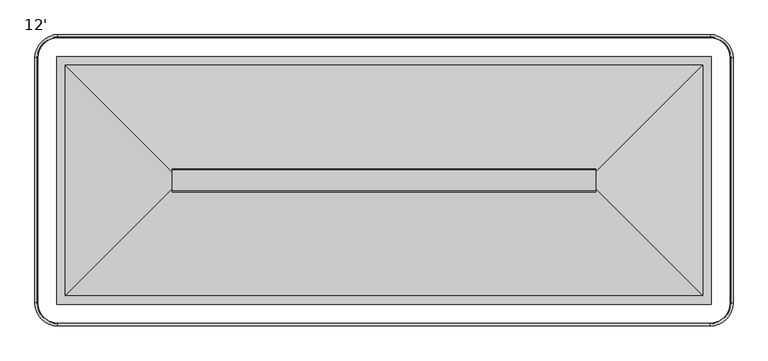
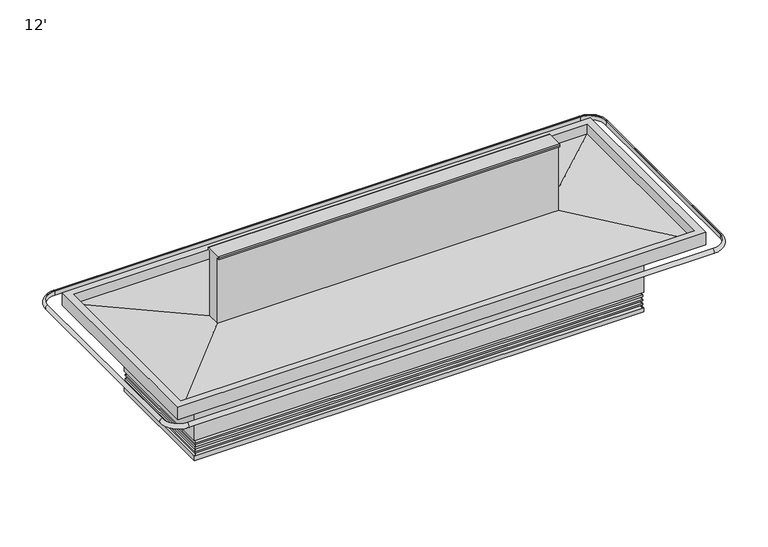
"""IFC4 building model written with IfcOpenShell, lengths in millimetres: proxy geometry, 12'."""

from ifc_helpers import new_model, si_unit, point, frame, frame_2d, origin, place, context, project, spatial, polyline, circle_curve, ellipse_curve, trimmed, segment, composite_curve, outline, extrude, faceted_brep, source, transform, mapped, element, save
from ifc_brep_helpers import plane_surface, cylinder_surface, revolved_surface, advanced_brep


def proxy_12_d2e7c2de(model_context):
    return source(origin(), model_context, "Body", "SolidModel", [
        extrude(outline(polyline([(736.6, -861.8839273), (736.6, -947.6089273), (482.6, -947.6089273), (482.6, -861.8839273), (736.6, -861.8839273)])), frame((0.0, 0.0, 47.767603), z_axis=(0.0, 0.0, 1.0), x_axis=(1.0, 0.0, 0.0)), (0.0, 0.0, 1.0), 6.35),
        extrude(outline(composite_curve([segment(trimmed(circle_curve(frame_2d((1950.9169367, -1217.4839273)), 38.1), [point((1912.8169367, -1217.4839273))], [point((1989.0169367, -1217.4839273))], False, "CARTESIAN"), True, "CONTINUOUS"), segment(trimmed(circle_curve(frame_2d((1950.9169367, -1217.4839273)), 38.1), [point((1989.0169367, -1217.4839273))], [point((1912.8169367, -1217.4839273))], False, "CARTESIAN"), True, "CONTINUOUS")], self_intersect=False)), frame((0.0, 0.0, 45.8758502), z_axis=(0.0, 0.0, 1.0), x_axis=(1.0, 0.0, 0.0)), (0.0, 0.0, 1.0), 55.7241498),
        extrude(outline(composite_curve([segment(trimmed(circle_curve(frame_2d((2813.05, -1541.3339273)), 9.525), [point((2803.525, -1541.3339273))], [point((2822.575, -1541.3339273))], False, "CARTESIAN"), True, "CONTINUOUS"), segment(trimmed(circle_curve(frame_2d((2813.05, -1541.3339273)), 9.525), [point((2822.575, -1541.3339273))], [point((2803.525, -1541.3339273))], False, "CARTESIAN"), True, "CONTINUOUS")], self_intersect=False)), frame((0.0, 0.0, 45.8758502), z_axis=(0.0, 0.0, 1.0), x_axis=(1.0, 0.0, 0.0)), (0.0, 0.0, 1.0), 55.7241498),
        extrude(outline(composite_curve([segment(trimmed(circle_curve(frame_2d((2857.5, -1541.3339273)), 12.7), [point((2844.8, -1541.3339273))], [point((2870.2, -1541.3339273))], False, "CARTESIAN"), True, "CONTINUOUS"), segment(trimmed(circle_curve(frame_2d((2857.5, -1541.3339273)), 12.7), [point((2870.2, -1541.3339273))], [point((2844.8, -1541.3339273))], False, "CARTESIAN"), True, "CONTINUOUS")], self_intersect=False)), frame((0.0, 0.0, 45.8758502), z_axis=(0.0, 0.0, 1.0), x_axis=(1.0, 0.0, 0.0)), (0.0, 0.0, 1.0), 55.7241498),
        advanced_brep(
        [(3485.9346585, -1613.7562898, 146.1174288), (3485.9346585, -817.2619729, 146.1174288), (416.1403415, -817.2619729, 146.1174288), (416.1403415, -1613.7562898, 146.1174288), (3485.9346585, -1613.7562898, 0.0), (416.1403415, -1613.7562898, 0.0), (416.1403415, -817.2619729, 0.0), (3485.9346585, -817.2619729, 0.0), (3443.0721585, -860.1244729, 0.0), (459.0028415, -860.1244729, 0.0), (459.0028415, -1570.8937898, 0.0), (2797.135904, -1570.8937898, 0.0), (2879.764096, -1570.8937898, 0.0), (3443.0721585, -1570.8937898, 0.0), (3443.0721585, -860.1244729, 54.117603), (3443.0721585, -1570.8937898, 54.117603), (2879.764096, -1570.8937898, 54.117603), (2889.25, -1541.3339273, 54.117603), (2787.65, -1541.3339273, 54.117603), (2797.135904, -1570.8937898, 54.117603), (459.0028415, -1570.8937898, 54.117603), (459.0028415, -860.1244729, 54.117603), (1900.1169367, -1217.4839273, 54.117603), (2001.7169367, -1217.4839273, 54.117603), (2787.65, -1541.3339273, 101.6), (2889.25, -1541.3339273, 101.6), (1900.1169367, -1217.4839273, 101.6), (2001.7169367, -1217.4839273, 101.6)],
        [
            (0, 1),
            (1, 2),
            (2, 3),
            (3, 0),
            (4, 5),
            (5, 6),
            (6, 7),
            (7, 4),
            (8, 9),
            (9, 10),
            (10, 11),
            (11, 12, circle_curve(frame((2838.45, -1541.3339273, 0.0), z_axis=(0.0, 0.0, 1.0), x_axis=(1.0, 0.0, 0.0)), 50.8)),
            (12, 13),
            (13, 8),
            (0, 4),
            (7, 1),
            (6, 2),
            (5, 3),
            (14, 15),
            (15, 16),
            (16, 17, circle_curve(frame((2838.45, -1541.3339273, 54.117603), z_axis=(0.0, 0.0, 1.0), x_axis=(1.0, 0.0, 0.0)), 50.8)),
            (17, 18, circle_curve(frame((2838.45, -1541.3339273, 54.117603), z_axis=(0.0, 0.0, 1.0), x_axis=(1.0, 0.0, 0.0)), 50.8)),
            (18, 19, circle_curve(frame((2838.45, -1541.3339273, 54.117603), z_axis=(0.0, 0.0, 1.0), x_axis=(1.0, 0.0, 0.0)), 50.8)),
            (19, 20),
            (20, 21),
            (21, 14),
            (22, 23, circle_curve(frame((1950.9169367, -1217.4839273, 54.117603), z_axis=(0.0, 0.0, 1.0), x_axis=(1.0, 0.0, 0.0)), 50.8)),
            (23, 22, circle_curve(frame((1950.9169367, -1217.4839273, 54.117603), z_axis=(0.0, 0.0, 1.0), x_axis=(1.0, 0.0, 0.0)), 50.8)),
            (21, 9),
            (8, 14),
            (20, 10),
            (19, 11),
            (15, 13),
            (12, 16),
            (24, 25, circle_curve(frame((2838.45, -1541.3339273, 101.6), z_axis=(0.0, 0.0, -1.0), x_axis=(1.0, 0.0, 0.0)), 50.8)),
            (25, 24, circle_curve(frame((2838.45, -1541.3339273, 101.6), z_axis=(0.0, 0.0, -1.0), x_axis=(1.0, 0.0, 0.0)), 50.8)),
            (25, 17),
            (18, 24),
            (26, 27, circle_curve(frame((1950.9169367, -1217.4839273, 101.6), z_axis=(0.0, 0.0, -1.0), x_axis=(1.0, 0.0, 0.0)), 50.8)),
            (27, 26, circle_curve(frame((1950.9169367, -1217.4839273, 101.6), z_axis=(0.0, 0.0, -1.0), x_axis=(1.0, 0.0, 0.0)), 50.8)),
            (27, 23),
            (22, 26),
        ],
        [
            plane_surface(frame((3485.9346585, -817.2619729, 146.1174288), z_axis=(0.0, 0.0, 1.0), x_axis=(0.0, 1.0, 0.0))),
            plane_surface(frame((3485.9346585, -817.2619729, 0.0), z_axis=(0.0, 0.0, -1.0), x_axis=(0.0, -1.0, 0.0))),
            plane_surface(frame((3485.9346585, -1613.7562898, 146.1174288), z_axis=(1.0, 0.0, 0.0), x_axis=(0.0, 0.0, -1.0))),
            plane_surface(frame((3485.9346585, -817.2619729, 146.1174288), z_axis=(0.0, 1.0, 0.0), x_axis=(0.0, 0.0, -1.0))),
            plane_surface(frame((416.1403415, -817.2619729, 146.1174288), z_axis=(-1.0, 0.0, 0.0), x_axis=(0.0, 0.0, -1.0))),
            plane_surface(frame((416.1403415, -1613.7562898, 146.1174288), z_axis=(0.0, -1.0, 0.0), x_axis=(0.0, 0.0, -1.0))),
            plane_surface(frame((459.0028415, -860.1244729, 54.117603), z_axis=(0.0, 0.0, -1.0), x_axis=(-1.0, 0.0, 0.0))),
            plane_surface(frame((3443.0721585, -860.1244729, 54.117603), z_axis=(0.0, -1.0, 0.0), x_axis=(0.0, 0.0, -1.0))),
            plane_surface(frame((459.0028415, -860.1244729, 54.117603), z_axis=(1.0, 0.0, 0.0), x_axis=(0.0, 0.0, -1.0))),
            plane_surface(frame((459.0028415, -1570.8937898, 54.117603), z_axis=(0.0, 1.0, 0.0), x_axis=(0.0, 0.0, -1.0))),
            plane_surface(frame((3443.0721585, -1570.8937898, 54.117603), z_axis=(-1.0, 0.0, 0.0), x_axis=(0.0, 0.0, -1.0))),
            plane_surface(frame((2889.25, -1541.3339273, 101.6), z_axis=(0.0, 0.0, -1.0), x_axis=(0.0, 1.0, 0.0))),
            revolved_surface(polyline([(2889.25, -1541.3339273, 101.6), (2889.25, -1541.3339273, 0.0)]), (2838.45, -1541.3339273, 0.0), (0.0, 0.0, 1.0)),
            revolved_surface(polyline([(2889.25, -1541.3339273, 101.6), (2889.25, -1541.3339273, 54.117603)]), (2838.45, -1541.3339273, 0.0), (0.0, 0.0, 1.0)),
            plane_surface(frame((2001.7169367, -1217.4839273, 101.6), z_axis=(0.0, 0.0, -1.0), x_axis=(0.0, 1.0, 0.0))),
            revolved_surface(polyline([(2001.7169367, -1217.4839273, 101.6), (2001.7169367, -1217.4839273, 54.117603)]), (1950.9169367, -1217.4839273, 0.0), (0.0, 0.0, 1.0)),
        ],
        [
            (0, [[1, 2, 3, 4]]),
            (1, [[5, 6, 7, 8], [9, 10, 11, 12, 13, 14]]),
            (2, [[-1, 15, -8, 16]]),
            (3, [[-2, -16, -7, 17]]),
            (4, [[-3, -17, -6, 18]]),
            (5, [[-4, -18, -5, -15]]),
            (6, [[19, 20, 21, 22, 23, 24, 25, 26], [27, 28]]),
            (7, [[-26, 29, -9, 30]]),
            (8, [[-25, 31, -10, -29]]),
            (9, [[-31, -24, 32, -11]]),
            (9, [[33, -13, 34, -20]]),
            (10, [[-19, -30, -14, -33]]),
            (11, [[35, 36]]),
            (12, [[-36, 37, -21, -34, -12, -32, -23, 38]]),
            (13, [[-35, -38, -22, -37]]),
            (14, [[39, 40]]),
            (15, [[-40, 41, -27, 42]]),
            (15, [[-39, -42, -28, -41]]),
        ],
    ),
        advanced_brep(
        [(3509.2141466, -1637.0357779, 31.5422302), (3509.2141466, -1637.0357779, 0.0), (3509.2141466, -793.9824848, 0.0), (3509.2141466, -793.9824848, 31.5422302), (3495.5963436, -807.6002877, 41.1495431), (3495.5963436, -1623.417975, 41.1495431), (3492.1072466, -811.0893848, 52.3148032), (3492.1072466, -1619.9288779, 52.3148032), (3502.7444418, -800.4521895, 50.1569804), (3502.7444418, -1630.5660732, 50.1569804), (3504.7383418, -1632.5599732, 62.8569804), (3504.7383418, -1632.5599732, 50.1569804), (3504.7383418, -798.4582895, 50.1569804), (3504.7383418, -798.4582895, 62.8569804), (3495.5963436, -807.6002877, 72.1217262), (3495.5963436, -1623.417975, 72.1217262), (3492.1072466, -811.0893848, 83.2869863), (3492.1072466, -1619.9288779, 83.2869863), (3502.7444418, -800.4521895, 81.1291635), (3502.7444418, -1630.5660732, 81.1291635), (3504.7383418, -1632.5599732, 93.8291635), (3504.7383418, -1632.5599732, 81.1291635), (3504.7383418, -798.4582895, 81.1291635), (3504.7383418, -798.4582895, 93.8291635), (3495.5963436, -807.6002877, 103.0939093), (3495.5963436, -1623.417975, 103.0939093), (3492.1072466, -811.0893848, 114.1327174), (3492.1072466, -1619.9288779, 114.1327174), (3502.7444418, -800.4521895, 112.1015335), (3502.7444418, -1630.5660732, 112.1015335), (3504.7383418, -1632.5599732, 124.8015335), (3504.7383418, -1632.5599732, 112.1015335), (3504.7383418, -798.4582895, 112.1015335), (3504.7383418, -798.4582895, 124.8015335), (3492.1072466, -811.0893848, 137.5013466), (3492.1072466, -1619.9288779, 137.5013466), (3492.1072466, -811.0893848, 146.1174288), (3492.1072466, -1619.9288779, 146.1174288), (3485.9346585, -1613.7562898, 0.0), (3485.9346585, -1613.7562898, 146.1174288), (3485.9346585, -817.2619729, 146.1174288), (3485.9346585, -817.2619729, 0.0), (392.8608534, -793.9824848, 0.0), (392.8608534, -793.9824848, 31.5422302), (406.4786564, -807.6002877, 41.1495431), (409.9677534, -811.0893848, 52.3148032), (399.3305582, -800.4521895, 50.1569804), (397.3366582, -798.4582895, 50.1569804), (397.3366582, -798.4582895, 62.8569804), (406.4786564, -807.6002877, 72.1217262), (409.9677534, -811.0893848, 83.2869863), (399.3305582, -800.4521895, 81.1291635), (397.3366582, -798.4582895, 81.1291635), (397.3366582, -798.4582895, 93.8291635), (406.4786564, -807.6002877, 103.0939093), (409.9677534, -811.0893848, 114.1327174), (399.3305582, -800.4521895, 112.1015335), (397.3366582, -798.4582895, 112.1015335), (397.3366582, -798.4582895, 124.8015335), (409.9677534, -811.0893848, 137.5013466), (409.9677534, -811.0893848, 146.1174288), (416.1403415, -817.2619729, 146.1174288), (416.1403415, -817.2619729, 0.0), (392.8608534, -1637.0357779, 0.0), (392.8608534, -1637.0357779, 31.5422302), (406.4786564, -1623.417975, 41.1495431), (409.9677534, -1619.9288779, 52.3148032), (399.3305582, -1630.5660732, 50.1569804), (397.3366582, -1632.5599732, 50.1569804), (397.3366582, -1632.5599732, 62.8569804), (406.4786564, -1623.417975, 72.1217262), (409.9677534, -1619.9288779, 83.2869863), (399.3305582, -1630.5660732, 81.1291635), (397.3366582, -1632.5599732, 81.1291635), (397.3366582, -1632.5599732, 93.8291635), (406.4786564, -1623.417975, 103.0939093), (409.9677534, -1619.9288779, 114.1327174), (399.3305582, -1630.5660732, 112.1015335), (397.3366582, -1632.5599732, 112.1015335), (397.3366582, -1632.5599732, 124.8015335), (409.9677534, -1619.9288779, 137.5013466), (409.9677534, -1619.9288779, 146.1174288), (416.1403415, -1613.7562898, 146.1174288), (416.1403415, -1613.7562898, 0.0)],
        [
            (0, 1),
            (1, 2),
            (2, 3),
            (3, 0),
            (3, 4, ellipse_curve(frame((3507.9301808, -795.2664505, 44.1771593), z_axis=(-0.7071067811865475, 0.7071067811865475, 0.0), x_axis=(0.7071067811865474, 0.7071067811865476, 0.0)), 17.9605122, 12.7)),
            (4, 5),
            (5, 0, ellipse_curve(frame((3507.9301808, -1635.7518122, 44.1771593), z_axis=(-0.7071067811865475, -0.7071067811865475, 0.0), x_axis=(-0.7071067811865474, 0.7071067811865476, 0.0)), 17.9605122, 12.7)),
            (4, 6),
            (6, 7),
            (7, 5),
            (6, 8),
            (8, 9),
            (9, 7),
            (10, 11),
            (11, 12),
            (12, 13),
            (13, 10),
            (13, 14, ellipse_curve(frame((3507.9301808, -795.2664505, 75.1493424), z_axis=(-0.7071067811865475, 0.7071067811865475, 0.0), x_axis=(0.7071067811865474, 0.7071067811865476, 0.0)), 17.9605122, 12.7)),
            (14, 15),
            (15, 10, ellipse_curve(frame((3507.9301808, -1635.7518122, 75.1493424), z_axis=(-0.7071067811865475, -0.7071067811865475, 0.0), x_axis=(-0.7071067811865474, 0.7071067811865476, 0.0)), 17.9605122, 12.7)),
            (14, 16),
            (16, 17),
            (17, 15),
            (16, 18),
            (18, 19),
            (19, 17),
            (20, 21),
            (21, 22),
            (22, 23),
            (23, 20),
            (23, 24, ellipse_curve(frame((3507.9301808, -795.2664505, 106.1215255), z_axis=(-0.7071067811865475, 0.7071067811865475, 0.0), x_axis=(0.7071067811865474, 0.7071067811865476, 0.0)), 17.9605122, 12.7)),
            (24, 25),
            (25, 20, ellipse_curve(frame((3507.9301808, -1635.7518122, 106.1215255), z_axis=(-0.7071067811865475, -0.7071067811865475, 0.0), x_axis=(-0.7071067811865474, 0.7071067811865476, 0.0)), 17.9605122, 12.7)),
            (24, 26),
            (26, 27),
            (27, 25),
            (26, 28),
            (28, 29),
            (29, 27),
            (30, 31),
            (31, 32),
            (32, 33),
            (33, 30),
            (33, 34, ellipse_curve(frame((3504.8072466, -798.3893848, 137.5013466), z_axis=(-0.7071067811865475, 0.7071067811865475, 0.0), x_axis=(0.7071067811865474, 0.7071067811865476, 0.0)), 17.9605122, 12.7)),
            (34, 35),
            (35, 30, ellipse_curve(frame((3504.8072466, -1632.6288779, 137.5013466), z_axis=(-0.7071067811865475, -0.7071067811865475, 0.0), x_axis=(-0.7071067811865474, 0.7071067811865476, 0.0)), 17.9605122, 12.7)),
            (34, 36),
            (36, 37),
            (37, 35),
            (38, 39),
            (39, 40),
            (40, 41),
            (41, 38),
            (2, 42),
            (42, 43),
            (43, 3),
            (43, 44, ellipse_curve(frame((394.1448192, -795.2664505, 44.1771593), z_axis=(-0.7071067811865475, -0.7071067811865475, 0.0), x_axis=(-0.7071067811865476, 0.7071067811865474, 0.0)), 17.9605122, 12.7)),
            (44, 4),
            (44, 45),
            (45, 6),
            (45, 46),
            (46, 8),
            (12, 47),
            (47, 48),
            (48, 13),
            (48, 49, ellipse_curve(frame((394.1448192, -795.2664505, 75.1493424), z_axis=(-0.7071067811865475, -0.7071067811865475, 0.0), x_axis=(-0.7071067811865476, 0.7071067811865474, 0.0)), 17.9605122, 12.7)),
            (49, 14),
            (49, 50),
            (50, 16),
            (50, 51),
            (51, 18),
            (22, 52),
            (52, 53),
            (53, 23),
            (53, 54, ellipse_curve(frame((394.1448192, -795.2664505, 106.1215255), z_axis=(-0.7071067811865475, -0.7071067811865475, 0.0), x_axis=(-0.7071067811865476, 0.7071067811865474, 0.0)), 17.9605122, 12.7)),
            (54, 24),
            (54, 55),
            (55, 26),
            (55, 56),
            (56, 28),
            (32, 57),
            (57, 58),
            (58, 33),
            (58, 59, ellipse_curve(frame((397.2677534, -798.3893848, 137.5013466), z_axis=(-0.7071067811865475, -0.7071067811865475, 0.0), x_axis=(-0.7071067811865476, 0.7071067811865474, 0.0)), 17.9605122, 12.7)),
            (59, 34),
            (59, 60),
            (60, 36),
            (40, 61),
            (61, 62),
            (62, 41),
            (42, 63),
            (63, 64),
            (64, 43),
            (64, 65, ellipse_curve(frame((394.1448192, -1635.7518122, 44.1771593), z_axis=(0.7071067811865475, -0.7071067811865475, 0.0), x_axis=(-0.7071067811865474, -0.7071067811865476, 0.0)), 17.9605122, 12.7)),
            (65, 44),
            (65, 66),
            (66, 45),
            (66, 67),
            (67, 46),
            (47, 68),
            (68, 69),
            (69, 48),
            (69, 70, ellipse_curve(frame((394.1448192, -1635.7518122, 75.1493424), z_axis=(0.7071067811865475, -0.7071067811865475, 0.0), x_axis=(-0.7071067811865474, -0.7071067811865476, 0.0)), 17.9605122, 12.7)),
            (70, 49),
            (70, 71),
            (71, 50),
            (71, 72),
            (72, 51),
            (52, 73),
            (73, 74),
            (74, 53),
            (74, 75, ellipse_curve(frame((394.1448192, -1635.7518122, 106.1215255), z_axis=(0.7071067811865475, -0.7071067811865475, 0.0), x_axis=(-0.7071067811865474, -0.7071067811865476, 0.0)), 17.9605122, 12.7)),
            (75, 54),
            (75, 76),
            (76, 55),
            (76, 77),
            (77, 56),
            (57, 78),
            (78, 79),
            (79, 58),
            (79, 80, ellipse_curve(frame((397.2677534, -1632.6288779, 137.5013466), z_axis=(0.7071067811865475, -0.7071067811865475, 0.0), x_axis=(-0.7071067811865474, -0.7071067811865476, 0.0)), 17.9605122, 12.7)),
            (80, 59),
            (80, 81),
            (81, 60),
            (61, 82),
            (82, 83),
            (83, 62),
            (0, 64),
            (63, 1),
            (5, 65),
            (7, 66),
            (9, 67),
            (11, 68),
            (10, 69),
            (15, 70),
            (17, 71),
            (19, 72),
            (21, 73),
            (20, 74),
            (25, 75),
            (27, 76),
            (29, 77),
            (31, 78),
            (30, 79),
            (35, 80),
            (37, 81),
            (39, 82),
            (38, 83),
        ],
        [
            plane_surface(frame((3509.2141466, -1637.0357779, 0.0), z_axis=(1.0, 0.0, 0.0), x_axis=(0.0, 1.0, 0.0))),
            revolved_surface(polyline([(3495.2301808, -782.5664505297964, 44.1771593), (3495.2301808, -1648.4518121702035, 44.1771593)]), (3507.9301808, -2029.8966313, 44.1771593), (0.0, 1.0, 0.0)),
            plane_surface(frame((3495.5963436, -1623.417975, 41.1495431), z_axis=(0.9544811145040246, 0.0, 0.298271356410828), x_axis=(0.0, 1.0, 0.0))),
            plane_surface(frame((3492.1072466, -1619.9288779, 52.3148032), z_axis=(-0.19880707887706084, 0.0, -0.9800386448443603), x_axis=(0.0, 1.0, 0.0))),
            plane_surface(frame((3504.7383418, -1632.5599732, 50.1569804), z_axis=(1.0, 0.0, 0.0), x_axis=(0.0, 1.0, 0.0))),
            revolved_surface(polyline([(3495.2301808, -782.5664505297964, 75.1493424), (3495.2301808, -1648.4518121702035, 75.1493424)]), (3507.9301808, -2029.8966313, 75.1493424), (0.0, 1.0, 0.0)),
            plane_surface(frame((3495.5963436, -1623.417975, 72.1217262), z_axis=(0.9544811145040845, 0.0, 0.29827135641063635), x_axis=(0.0, 1.0, 0.0))),
            plane_surface(frame((3492.1072466, -1619.9288779, 83.2869863), z_axis=(-0.198807078877056, 0.0, -0.9800386448443613), x_axis=(0.0, 1.0, 0.0))),
            plane_surface(frame((3504.7383418, -1632.5599732, 81.1291635), z_axis=(1.0, 0.0, 0.0), x_axis=(0.0, 1.0, 0.0))),
            revolved_surface(polyline([(3495.2301808, -782.5664505297964, 106.1215255), (3495.2301808, -1648.4518121702035, 106.1215255)]), (3507.9301808, -2029.8966313, 106.1215255), (0.0, 1.0, 0.0)),
            plane_surface(frame((3495.5963436, -1623.417975, 103.0939093), z_axis=(0.9535043111325446, 0.0, 0.3013793766196547), x_axis=(0.0, 1.0, 0.0))),
            plane_surface(frame((3492.1072466, -1619.9288779, 114.1327174), z_axis=(-0.18756221551811014, 0.0, -0.9822527247658507), x_axis=(0.0, 1.0, 0.0))),
            plane_surface(frame((3504.7383418, -1632.5599732, 112.1015335), z_axis=(1.0, 0.0, 0.0), x_axis=(0.0, 1.0, 0.0))),
            revolved_surface(polyline([(3492.1072466, -785.6893848297964, 137.5013466), (3492.1072466, -1645.3288778702035, 137.5013466)]), (3504.8072466, -2029.8966313, 137.5013466), (0.0, 1.0, 0.0)),
            plane_surface(frame((3492.1072466, -1619.9288779, 137.5013466), z_axis=(1.0, 0.0, 0.0), x_axis=(0.0, 1.0, 0.0))),
            plane_surface(frame((3485.9346585, -1613.7562898, 146.1174288), z_axis=(-1.0, 0.0, 0.0), x_axis=(0.0, 1.0, 0.0))),
            plane_surface(frame((3509.2141466, -793.9824848, 0.0), z_axis=(0.0, 1.0, 0.0), x_axis=(-1.0, 0.0, 0.0))),
            revolved_surface(polyline([(381.44481922979594, -807.9664505000001, 44.1771593), (3520.630180770204, -807.9664505000001, 44.1771593)]), (3902.075, -795.2664505, 44.1771593), (-1.0, 0.0, 0.0)),
            plane_surface(frame((3495.5963436, -807.6002877, 41.1495431), z_axis=(0.0, 0.9544811145040246, 0.298271356410828), x_axis=(-1.0, 0.0, 0.0))),
            plane_surface(frame((3492.1072466, -811.0893848, 52.3148032), z_axis=(0.0, -0.19880707887706084, -0.9800386448443603), x_axis=(-1.0, 0.0, 0.0))),
            plane_surface(frame((3504.7383418, -798.4582895, 50.1569804), z_axis=(0.0, 1.0, 0.0), x_axis=(-1.0, 0.0, 0.0))),
            revolved_surface(polyline([(381.44481922979594, -807.9664505000001, 75.1493424), (3520.630180770204, -807.9664505000001, 75.1493424)]), (3902.075, -795.2664505, 75.1493424), (-1.0, 0.0, 0.0)),
            plane_surface(frame((3495.5963436, -807.6002877, 72.1217262), z_axis=(0.0, 0.9544811145040845, 0.29827135641063635), x_axis=(-1.0, 0.0, 0.0))),
            plane_surface(frame((3492.1072466, -811.0893848, 83.2869863), z_axis=(0.0, -0.198807078877056, -0.9800386448443613), x_axis=(-1.0, 0.0, 0.0))),
            plane_surface(frame((3504.7383418, -798.4582895, 81.1291635), z_axis=(0.0, 1.0, 0.0), x_axis=(-1.0, 0.0, 0.0))),
            revolved_surface(polyline([(381.44481922979594, -807.9664505000001, 106.1215255), (3520.630180770204, -807.9664505000001, 106.1215255)]), (3902.075, -795.2664505, 106.1215255), (-1.0, 0.0, 0.0)),
            plane_surface(frame((3495.5963436, -807.6002877, 103.0939093), z_axis=(0.0, 0.9535043111325446, 0.3013793766196547), x_axis=(-1.0, 0.0, 0.0))),
            plane_surface(frame((3492.1072466, -811.0893848, 114.1327174), z_axis=(0.0, -0.18756221551811014, -0.9822527247658507), x_axis=(-1.0, 0.0, 0.0))),
            plane_surface(frame((3504.7383418, -798.4582895, 112.1015335), z_axis=(0.0, 1.0, 0.0), x_axis=(-1.0, 0.0, 0.0))),
            revolved_surface(polyline([(384.5677534297961, -811.0893848000001, 137.5013466), (3517.5072465702037, -811.0893848000001, 137.5013466)]), (3902.075, -798.3893848, 137.5013466), (-1.0, 0.0, 0.0)),
            plane_surface(frame((3492.1072466, -811.0893848, 137.5013466), z_axis=(0.0, 1.0, 0.0), x_axis=(-1.0, 0.0, 0.0))),
            plane_surface(frame((3485.9346585, -817.2619729, 146.1174288), z_axis=(0.0, -1.0, 0.0), x_axis=(-1.0, 0.0, 0.0))),
            plane_surface(frame((392.8608534, -793.9824848, 0.0), z_axis=(-1.0, 0.0, 0.0), x_axis=(0.0, -1.0, 0.0))),
            revolved_surface(polyline([(406.84481919999996, -1648.4518121702035, 44.1771593), (406.84481919999996, -782.5664505297964, 44.1771593)]), (394.1448192, -401.1216313, 44.1771593), (0.0, -1.0, 0.0)),
            plane_surface(frame((406.4786564, -807.6002877, 41.1495431), z_axis=(-0.9544811145040246, 0.0, 0.298271356410828), x_axis=(0.0, -1.0, 0.0))),
            plane_surface(frame((409.9677534, -811.0893848, 52.3148032), z_axis=(0.19880707887706084, 0.0, -0.9800386448443603), x_axis=(0.0, -1.0, 0.0))),
            plane_surface(frame((397.3366582, -798.4582895, 50.1569804), z_axis=(-1.0, 0.0, 0.0), x_axis=(0.0, -1.0, 0.0))),
            revolved_surface(polyline([(406.84481919999996, -1648.4518121702035, 75.1493424), (406.84481919999996, -782.5664505297964, 75.1493424)]), (394.1448192, -401.1216313, 75.1493424), (0.0, -1.0, 0.0)),
            plane_surface(frame((406.4786564, -807.6002877, 72.1217262), z_axis=(-0.9544811145040845, 0.0, 0.29827135641063635), x_axis=(0.0, -1.0, 0.0))),
            plane_surface(frame((409.9677534, -811.0893848, 83.2869863), z_axis=(0.198807078877056, 0.0, -0.9800386448443613), x_axis=(0.0, -1.0, 0.0))),
            plane_surface(frame((397.3366582, -798.4582895, 81.1291635), z_axis=(-1.0, 0.0, 0.0), x_axis=(0.0, -1.0, 0.0))),
            revolved_surface(polyline([(406.84481919999996, -1648.4518121702035, 106.1215255), (406.84481919999996, -782.5664505297964, 106.1215255)]), (394.1448192, -401.1216313, 106.1215255), (0.0, -1.0, 0.0)),
            plane_surface(frame((406.4786564, -807.6002877, 103.0939093), z_axis=(-0.9535043111325446, 0.0, 0.3013793766196547), x_axis=(0.0, -1.0, 0.0))),
            plane_surface(frame((409.9677534, -811.0893848, 114.1327174), z_axis=(0.18756221551811014, 0.0, -0.9822527247658507), x_axis=(0.0, -1.0, 0.0))),
            plane_surface(frame((397.3366582, -798.4582895, 112.1015335), z_axis=(-1.0, 0.0, 0.0), x_axis=(0.0, -1.0, 0.0))),
            revolved_surface(polyline([(409.9677534, -1645.3288778702035, 137.5013466), (409.9677534, -785.6893848297964, 137.5013466)]), (397.2677534, -401.1216313, 137.5013466), (0.0, -1.0, 0.0)),
            plane_surface(frame((409.9677534, -811.0893848, 137.5013466), z_axis=(-1.0, 0.0, 0.0), x_axis=(0.0, -1.0, 0.0))),
            plane_surface(frame((416.1403415, -817.2619729, 146.1174288), z_axis=(1.0, 0.0, 0.0), x_axis=(0.0, -1.0, 0.0))),
            plane_surface(frame((392.8608534, -1637.0357779, 0.0), z_axis=(0.0, -1.0, 0.0), x_axis=(1.0, 0.0, 0.0))),
            revolved_surface(polyline([(3520.630180770204, -1623.0518121999999, 44.1771593), (381.4448192297963, -1623.0518121999999, 44.1771593)]), (0.0, -1635.7518122, 44.1771593), (1.0, 0.0, 0.0)),
            plane_surface(frame((406.4786564, -1623.417975, 41.1495431), z_axis=(0.0, -0.9544811145040246, 0.298271356410828), x_axis=(1.0, 0.0, 0.0))),
            plane_surface(frame((409.9677534, -1619.9288779, 52.3148032), z_axis=(0.0, 0.19880707887706084, -0.9800386448443603), x_axis=(1.0, 0.0, 0.0))),
            plane_surface(frame((399.3305582, -1630.5660732, 50.1569804), z_axis=(0.0, 0.0, -1.0), x_axis=(1.0, 0.0, 0.0))),
            plane_surface(frame((397.3366582, -1632.5599732, 50.1569804), z_axis=(0.0, -1.0, 0.0), x_axis=(1.0, 0.0, 0.0))),
            revolved_surface(polyline([(3520.630180770204, -1623.0518121999999, 75.1493424), (381.4448192297963, -1623.0518121999999, 75.1493424)]), (0.0, -1635.7518122, 75.1493424), (1.0, 0.0, 0.0)),
            plane_surface(frame((406.4786564, -1623.417975, 72.1217262), z_axis=(0.0, -0.9544811145040845, 0.29827135641063635), x_axis=(1.0, 0.0, 0.0))),
            plane_surface(frame((409.9677534, -1619.9288779, 83.2869863), z_axis=(0.0, 0.198807078877056, -0.9800386448443613), x_axis=(1.0, 0.0, 0.0))),
            plane_surface(frame((399.3305582, -1630.5660732, 81.1291635), z_axis=(0.0, 0.0, -1.0), x_axis=(1.0, 0.0, 0.0))),
            plane_surface(frame((397.3366582, -1632.5599732, 81.1291635), z_axis=(0.0, -1.0, 0.0), x_axis=(1.0, 0.0, 0.0))),
            revolved_surface(polyline([(3520.630180770204, -1623.0518121999999, 106.1215255), (381.4448192297963, -1623.0518121999999, 106.1215255)]), (0.0, -1635.7518122, 106.1215255), (1.0, 0.0, 0.0)),
            plane_surface(frame((406.4786564, -1623.417975, 103.0939093), z_axis=(0.0, -0.9535043111325446, 0.3013793766196547), x_axis=(1.0, 0.0, 0.0))),
            plane_surface(frame((409.9677534, -1619.9288779, 114.1327174), z_axis=(0.0, 0.18756221551811014, -0.9822527247658507), x_axis=(1.0, 0.0, 0.0))),
            plane_surface(frame((399.3305582, -1630.5660732, 112.1015335), z_axis=(0.0, 0.0, -1.0), x_axis=(1.0, 0.0, 0.0))),
            plane_surface(frame((397.3366582, -1632.5599732, 112.1015335), z_axis=(0.0, -1.0, 0.0), x_axis=(1.0, 0.0, 0.0))),
            revolved_surface(polyline([(3517.5072465702037, -1619.9288778999999, 137.5013466), (384.5677534297963, -1619.9288778999999, 137.5013466)]), (0.0, -1632.6288779, 137.5013466), (1.0, 0.0, 0.0)),
            plane_surface(frame((409.9677534, -1619.9288779, 137.5013466), z_axis=(0.0, -1.0, 0.0), x_axis=(1.0, 0.0, 0.0))),
            plane_surface(frame((409.9677534, -1619.9288779, 146.1174288), z_axis=(0.0, 0.0, 1.0), x_axis=(1.0, 0.0, 0.0))),
            plane_surface(frame((416.1403415, -1613.7562898, 146.1174288), z_axis=(0.0, 1.0, 0.0), x_axis=(1.0, 0.0, 0.0))),
            plane_surface(frame((416.1403415, -1613.7562898, 0.0), z_axis=(0.0, 0.0, -1.0), x_axis=(1.0, 0.0, 0.0))),
        ],
        [
            (0, [[1, 2, 3, 4]]),
            (1, [[-4, 5, 6, 7]]),
            (2, [[-6, 8, 9, 10]]),
            (3, [[-9, 11, 12, 13]]),
            (4, [[14, 15, 16, 17]]),
            (5, [[-17, 18, 19, 20]]),
            (6, [[-19, 21, 22, 23]]),
            (7, [[-22, 24, 25, 26]]),
            (8, [[27, 28, 29, 30]]),
            (9, [[-30, 31, 32, 33]]),
            (10, [[-32, 34, 35, 36]]),
            (11, [[-35, 37, 38, 39]]),
            (12, [[40, 41, 42, 43]]),
            (13, [[-43, 44, 45, 46]]),
            (14, [[-45, 47, 48, 49]]),
            (15, [[50, 51, 52, 53]]),
            (16, [[-3, 54, 55, 56]]),
            (17, [[-5, -56, 57, 58]]),
            (18, [[-8, -58, 59, 60]]),
            (19, [[-11, -60, 61, 62]]),
            (20, [[-16, 63, 64, 65]]),
            (21, [[-18, -65, 66, 67]]),
            (22, [[-21, -67, 68, 69]]),
            (23, [[-24, -69, 70, 71]]),
            (24, [[-29, 72, 73, 74]]),
            (25, [[-31, -74, 75, 76]]),
            (26, [[-34, -76, 77, 78]]),
            (27, [[-37, -78, 79, 80]]),
            (28, [[-42, 81, 82, 83]]),
            (29, [[-44, -83, 84, 85]]),
            (30, [[-47, -85, 86, 87]]),
            (31, [[-52, 88, 89, 90]]),
            (32, [[-55, 91, 92, 93]]),
            (33, [[-57, -93, 94, 95]]),
            (34, [[-59, -95, 96, 97]]),
            (35, [[-61, -97, 98, 99]]),
            (36, [[-64, 100, 101, 102]]),
            (37, [[-66, -102, 103, 104]]),
            (38, [[-68, -104, 105, 106]]),
            (39, [[-70, -106, 107, 108]]),
            (40, [[-73, 109, 110, 111]]),
            (41, [[-75, -111, 112, 113]]),
            (42, [[-77, -113, 114, 115]]),
            (43, [[-79, -115, 116, 117]]),
            (44, [[-82, 118, 119, 120]]),
            (45, [[-84, -120, 121, 122]]),
            (46, [[-86, -122, 123, 124]]),
            (47, [[-89, 125, 126, 127]]),
            (48, [[-1, 128, -92, 129]]),
            (49, [[-7, 130, -94, -128]]),
            (50, [[-10, 131, -96, -130]]),
            (51, [[-13, 132, -98, -131]]),
            (52, [[-15, 133, -100, -63], [-12, -62, -99, -132]]),
            (53, [[-14, 134, -101, -133]]),
            (54, [[-20, 135, -103, -134]]),
            (55, [[-23, 136, -105, -135]]),
            (56, [[-26, 137, -107, -136]]),
            (57, [[-28, 138, -109, -72], [-25, -71, -108, -137]]),
            (58, [[-27, 139, -110, -138]]),
            (59, [[-33, 140, -112, -139]]),
            (60, [[-36, 141, -114, -140]]),
            (61, [[-39, 142, -116, -141]]),
            (62, [[-41, 143, -118, -81], [-38, -80, -117, -142]]),
            (63, [[-40, 144, -119, -143]]),
            (64, [[-46, 145, -121, -144]]),
            (65, [[-49, 146, -123, -145]]),
            (66, [[-48, -87, -124, -146], [-51, 147, -125, -88]]),
            (67, [[-50, 148, -126, -147]]),
            (68, [[-2, -129, -91, -54], [-53, -90, -127, -148]]),
        ],
    ),
        faceted_brep([(393.096833, -1636.7997983, 354.4616084), (393.096833, -1636.7997983, 146.1174288), (3508.978167, -1636.7997983, 146.1174288), (3508.978167, -1636.7997983, 354.4616084), (412.591333, -1617.3052983, 374.65), (412.591333, -1617.3052983, 354.4616084), (3489.483667, -1617.3052983, 354.4616084), (3489.483667, -1617.3052983, 374.65), (512.4264211, -1517.4702102, 146.1174288), (512.4264211, -1517.4702102, 374.65), (3389.6485789, -1517.4702102, 374.65), (3389.6485789, -1517.4702102, 146.1174288), (3508.978167, -794.2184644, 146.1174288), (3508.978167, -794.2184644, 354.4616084), (3489.483667, -813.7129644, 354.4616084), (3489.483667, -813.7129644, 374.65), (3389.6485789, -913.5480525, 374.65), (3389.6485789, -913.5480525, 146.1174288), (393.096833, -794.2184644, 146.1174288), (393.096833, -794.2184644, 354.4616084), (412.591333, -813.7129644, 354.4616084), (412.591333, -813.7129644, 374.65), (512.4264211, -913.5480525, 374.65), (512.4264211, -913.5480525, 146.1174288)], [[[0, 1, 2, 3]], [[4, 5, 6, 7]], [[8, 9, 10, 11]], [[3, 2, 12, 13]], [[7, 6, 14, 15]], [[11, 10, 16, 17]], [[13, 12, 18, 19]], [[15, 14, 20, 21]], [[17, 16, 22, 23]], [[19, 18, 1, 0]], [[3, 13, 19, 0], [5, 20, 14, 6]], [[21, 20, 5, 4]], [[7, 15, 21, 4], [9, 22, 16, 10]], [[23, 22, 9, 8]], [[1, 18, 12, 2], [11, 17, 23, 8]]]),
        extrude(outline(polyline([(-913.5480525, 374.65), (-913.5480525, 146.1174288), (-1517.4702102, 146.1174288), (-1517.4702102, 374.65), (-1553.9615199, 374.65), (-1553.9615199, 439.7810985), (-1261.5529273, 429.0471023), (-1261.5529273, 581.214329), (-1169.4653354, 581.214329), (-1169.4653354, 429.0471023), (-877.0567428, 439.7810985), (-877.0567428, 374.65), (-913.5480525, 374.65)])), frame((512.4264211, 0.0, 0.0), z_axis=(1.0, 0.0, 0.0), x_axis=(0.0, 1.0, 0.0)), (0.0, 0.0, 1.0), 2877.2221578),
        extrude(outline(composite_curve([segment(polyline([(-1170.2399273, 1126.34395), (-1170.2399273, 581.214329), (-1261.5529273, 581.214329), (-1261.5529273, 1126.34395), (-1280.1838273, 1126.34395), (-1280.1838273, 1137.4501)]), True, "CONTINUOUS"), segment(trimmed(circle_curve(frame_2d((-1273.0464273, 1137.4501)), 7.1374), [point((-1280.1838273, 1137.4501))], [point((-1273.0464273, 1144.5875))], False, "CARTESIAN"), True, "CONTINUOUS"), segment(polyline([(-1273.0464273, 1144.5875), (-1158.7464273, 1144.5875)]), True, "CONTINUOUS"), segment(trimmed(circle_curve(frame_2d((-1158.7464273, 1137.4501)), 7.1374), [point((-1158.7464273, 1144.5875))], [point((-1151.6090273, 1137.4501))], False, "CARTESIAN"), True, "CONTINUOUS"), segment(polyline([(-1151.6090273, 1137.4501), (-1151.6090273, 1126.34395), (-1170.2399273, 1126.34395)]), True, "CONTINUOUS")], self_intersect=False)), frame((768.343704, 0.0, 0.0), z_axis=(1.0, 0.0, 0.0), x_axis=(0.0, 1.0, 0.0)), (0.0, 0.0, 1.0), 2365.3875919),
        faceted_brep([(3133.731296, -1261.5529273, 429.0471023), (3133.731296, -1261.5529273, 648.8884047), (3133.731296, -1169.4653354, 648.8884047), (3133.731296, -1169.4653354, 429.0471023), (3618.1052696, -1745.9269009, 446.8279354), (3618.1052696, -685.0913618, 446.8279354), (3781.1668165, -1908.9884479, 561.0048878), (3781.1668165, -522.0298148, 561.0048878), (3781.1668165, -1908.9884479, 652.4421919), (3781.1668165, -522.0298148, 652.4421919), (3732.0661257, -1859.887757, 581.4120358), (3732.0661257, -1859.887757, 652.4421919), (3732.0661257, -571.1305057, 652.4421919), (3732.0661257, -571.1305057, 581.4120358), (768.343704, -1169.4653354, 648.8884047), (768.343704, -1169.4653354, 429.0471023), (283.9697304, -685.0913618, 446.8279354), (120.9081835, -522.0298148, 561.0048878), (120.9081835, -522.0298148, 652.4421919), (170.0088743, -571.1305057, 652.4421919), (170.0088743, -571.1305057, 581.4120358), (768.343704, -1261.5529273, 648.8884047), (768.343704, -1261.5529273, 429.0471023), (283.9697304, -1745.9269009, 446.8279354), (120.9081835, -1908.9884479, 561.0048878), (120.9081835, -1908.9884479, 652.4421919), (170.0088743, -1859.887757, 652.4421919), (170.0088743, -1859.887757, 581.4120358)], [[[0, 1, 2, 3]], [[4, 0, 3, 5]], [[6, 4, 5, 7]], [[8, 6, 7, 9]], [[10, 11, 12, 13]], [[1, 10, 13, 2]], [[3, 2, 14, 15]], [[5, 3, 15, 16]], [[7, 5, 16, 17]], [[9, 7, 17, 18]], [[13, 12, 19, 20]], [[2, 13, 20, 14]], [[15, 14, 21, 22]], [[16, 15, 22, 23]], [[17, 16, 23, 24]], [[18, 17, 24, 25]], [[20, 19, 26, 27]], [[14, 20, 27, 21]], [[22, 21, 1, 0]], [[23, 22, 0, 4]], [[24, 23, 4, 6]], [[25, 24, 6, 8]], [[9, 18, 25, 8], [11, 26, 19, 12]], [[27, 26, 11, 10]], [[21, 27, 10, 1]]]),
        advanced_brep(
        [(128.5372773, -416.5623694, 567.3554417), (128.5372773, -416.7208248, 602.1833335), (3773.5377227, -416.7208248, 602.1833335), (3773.5377227, -416.5623694, 567.3554417), (3886.634262, -529.6589086, 567.3554417), (3886.4758065, -529.6589086, 602.1833335), (3886.4758065, -1901.3593541, 602.1833335), (3886.634262, -1901.3593541, 567.3554417), (3773.5377227, -2014.4558933, 567.3554417), (3773.5377227, -2014.2974379, 602.1833335), (128.5372773, -2014.2974379, 602.1833335), (128.5372773, -2014.4558933, 567.3554417), (15.440738, -1901.3593541, 567.3554417), (15.5991935, -1901.3593541, 602.1833335), (15.5991935, -529.6589086, 602.1833335), (15.440738, -529.6589086, 567.3554417), (13.7849021, -1901.3593541, 594.7340526), (128.5372773, -2016.1117293, 594.7340526), (13.7849021, -529.6589086, 594.7340526), (128.5372773, -414.9065334, 594.7340526), (3773.5377227, -414.9065334, 594.7340526), (3888.2900979, -529.6589086, 594.7340526), (3888.2900979, -1901.3593541, 594.7340526), (3773.5377227, -2016.1117293, 594.7340526)],
        [
            (0, 1, circle_curve(frame((128.5372773, -418.2438235, 584.762098), z_axis=(1.0, 0.0, 0.0), x_axis=(0.0, 1.0, 0.0)), 17.4876806)),
            (1, 2),
            (2, 3, circle_curve(frame((3773.5377227, -418.2438235, 584.762098), z_axis=(-1.0, 0.0, 0.0), x_axis=(0.0, 1.0, 0.0)), 17.4876806)),
            (3, 0),
            (4, 3, circle_curve(frame((3773.5377227, -529.6589086, 567.3554417), z_axis=(0.0, 0.0, 1.0), x_axis=(0.0, 1.0, 0.0)), 113.0965393)),
            (2, 5, circle_curve(frame((3773.5377227, -529.6589086, 602.1833335), z_axis=(0.0, 0.0, -1.0), x_axis=(0.0, 1.0, 0.0)), 112.9380838)),
            (5, 4, circle_curve(frame((3884.9528079, -529.6589086, 584.762098), z_axis=(0.0, 1.0, 0.0), x_axis=(1.0, 0.0, 0.0)), 17.4876806)),
            (5, 6),
            (6, 7, circle_curve(frame((3884.9528079, -1901.3593541, 584.762098), z_axis=(0.0, 1.0, 0.0), x_axis=(1.0, 0.0, 0.0)), 17.4876806)),
            (7, 4),
            (8, 7, circle_curve(frame((3773.5377227, -1901.3593541, 567.3554417), z_axis=(0.0, 0.0, 1.0), x_axis=(1.0, 0.0, 0.0)), 113.0965393)),
            (6, 9, circle_curve(frame((3773.5377227, -1901.3593541, 602.1833335), z_axis=(0.0, 0.0, -1.0), x_axis=(1.0, 0.0, 0.0)), 112.9380838)),
            (9, 8, circle_curve(frame((3773.5377227, -2012.7744392, 584.762098), z_axis=(1.0, 0.0, 0.0), x_axis=(0.0, -1.0, 0.0)), 17.4876806)),
            (9, 10),
            (10, 11, circle_curve(frame((128.5372773, -2012.7744392, 584.762098), z_axis=(1.0, 0.0, 0.0), x_axis=(0.0, -1.0, 0.0)), 17.4876806)),
            (11, 8),
            (12, 11, circle_curve(frame((128.5372773, -1901.3593541, 567.3554417), z_axis=(0.0, 0.0, 1.0), x_axis=(0.0, -1.0, 0.0)), 113.0965393)),
            (10, 13, circle_curve(frame((128.5372773, -1901.3593541, 602.1833335), z_axis=(0.0, 0.0, -1.0), x_axis=(0.0, -1.0, 0.0)), 112.9380838)),
            (13, 12, circle_curve(frame((17.1221921, -1901.3593541, 584.762098), z_axis=(0.0, -1.0, 0.0), x_axis=(-1.0, 0.0, 0.0)), 17.4876806)),
            (13, 14),
            (14, 15, circle_curve(frame((17.1221921, -529.6589086, 584.762098), z_axis=(0.0, -1.0, 0.0), x_axis=(-1.0, 0.0, 0.0)), 17.4876806)),
            (15, 12),
            (0, 15, circle_curve(frame((128.5372773, -529.6589086, 567.3554417), z_axis=(0.0, 0.0, 1.0), x_axis=(-1.0, 0.0, 0.0)), 113.0965393)),
            (14, 1, circle_curve(frame((128.5372773, -529.6589086, 602.1833335), z_axis=(0.0, 0.0, -1.0), x_axis=(-1.0, 0.0, 0.0)), 112.9380838)),
            (16, 17, circle_curve(frame((128.5372773, -1901.3593541, 594.7340526), z_axis=(0.0, 0.0, 1.0), x_axis=(0.0, -1.0, 0.0)), 114.7523752)),
            (17, 11, circle_curve(frame((128.5372773, -1889.2567413, 588.6667609), z_axis=(1.0, 0.0, 0.0), x_axis=(0.0, -1.0, 0.0)), 127.0)),
            (12, 16, circle_curve(frame((140.63989, -1901.3593541, 588.6667609), z_axis=(0.0, 1.0, 0.0), x_axis=(-1.0, 0.0, 0.0)), 127.0)),
            (10, 17, circle_curve(frame((128.5372773, -1842.4945202, 556.3947163), z_axis=(1.0, 0.0, 0.0), x_axis=(0.0, -1.0, 0.0)), 177.8)),
            (16, 13, circle_curve(frame((187.4021112, -1901.3593541, 556.3947163), z_axis=(0.0, 1.0, 0.0), x_axis=(-1.0, 0.0, 0.0)), 177.8)),
            (15, 18, circle_curve(frame((140.63989, -529.6589086, 588.6667609), z_axis=(0.0, 1.0, 0.0), x_axis=(-1.0, 0.0, 0.0)), 127.0)),
            (18, 16),
            (18, 14, circle_curve(frame((187.4021112, -529.6589086, 556.3947163), z_axis=(0.0, 1.0, 0.0), x_axis=(-1.0, 0.0, 0.0)), 177.8)),
            (19, 18, circle_curve(frame((128.5372773, -529.6589086, 594.7340526), z_axis=(0.0, 0.0, 1.0), x_axis=(-1.0, 0.0, 0.0)), 114.7523752)),
            (0, 19, circle_curve(frame((128.5372773, -541.7615214, 588.6667609), z_axis=(1.0, 0.0, 0.0), x_axis=(0.0, 1.0, 0.0)), 127.0)),
            (19, 1, circle_curve(frame((128.5372773, -588.5237425, 556.3947163), z_axis=(1.0, 0.0, 0.0), x_axis=(0.0, 1.0, 0.0)), 177.8)),
            (3, 20, circle_curve(frame((3773.5377227, -541.7615214, 588.6667609), z_axis=(1.0, 0.0, 0.0), x_axis=(0.0, 1.0, 0.0)), 127.0)),
            (20, 19),
            (20, 2, circle_curve(frame((3773.5377227, -588.5237425, 556.3947163), z_axis=(1.0, 0.0, 0.0), x_axis=(0.0, 1.0, 0.0)), 177.8)),
            (21, 20, circle_curve(frame((3773.5377227, -529.6589086, 594.7340526), z_axis=(0.0, 0.0, 1.0), x_axis=(0.0, 1.0, 0.0)), 114.7523752)),
            (4, 21, circle_curve(frame((3761.43511, -529.6589086, 588.6667609), z_axis=(0.0, -1.0, 0.0), x_axis=(1.0, 0.0, 0.0)), 127.0)),
            (21, 5, circle_curve(frame((3714.6728888, -529.6589086, 556.3947163), z_axis=(0.0, -1.0, 0.0), x_axis=(1.0, 0.0, 0.0)), 177.8)),
            (7, 22, circle_curve(frame((3761.43511, -1901.3593541, 588.6667609), z_axis=(0.0, -1.0, 0.0), x_axis=(1.0, 0.0, 0.0)), 127.0)),
            (22, 21),
            (22, 6, circle_curve(frame((3714.6728888, -1901.3593541, 556.3947163), z_axis=(0.0, -1.0, 0.0), x_axis=(1.0, 0.0, 0.0)), 177.8)),
            (23, 22, circle_curve(frame((3773.5377227, -1901.3593541, 594.7340526), z_axis=(0.0, 0.0, 1.0), x_axis=(1.0, 0.0, 0.0)), 114.7523752)),
            (8, 23, circle_curve(frame((3773.5377227, -1889.2567413, 588.6667609), z_axis=(-1.0, 0.0, 0.0), x_axis=(0.0, -1.0, 0.0)), 127.0)),
            (23, 9, circle_curve(frame((3773.5377227, -1842.4945202, 556.3947163), z_axis=(-1.0, 0.0, 0.0), x_axis=(0.0, -1.0, 0.0)), 177.8)),
            (17, 23),
        ],
        [
            cylinder_surface(frame((128.5372773, -418.2438235, 584.762098), z_axis=(-1.0, 0.0, 0.0), x_axis=(0.0, 1.0, 0.0)), 17.4876806),
            revolved_surface(trimmed(ellipse_curve(frame((3773.5377227, -418.2438235, 584.762098), z_axis=(-1.0, 0.0, 0.0), x_axis=(0.0, 1.0, 0.0)), 17.4876806, 17.4876806), [point((3773.5377227, -416.7208248, 602.1833335))], [point((3773.5377227, -416.5623694, 567.3554417))], True, "CARTESIAN"), (3773.5377227, -529.6589086, 0.0), (0.0, 0.0, -1.0)),
            cylinder_surface(frame((3884.9528079, -529.6589086, 584.762098), z_axis=(0.0, 1.0, 0.0), x_axis=(1.0, 0.0, 0.0)), 17.4876806),
            revolved_surface(trimmed(ellipse_curve(frame((3884.9528079, -1901.3593541, 584.762098), z_axis=(0.0, 1.0, 0.0), x_axis=(1.0, 0.0, 0.0)), 17.4876806, 17.4876806), [point((3886.4758065, -1901.3593541, 602.1833335))], [point((3886.634262, -1901.3593541, 567.3554417))], True, "CARTESIAN"), (3773.5377227, -1901.3593541, 0.0), (0.0, 0.0, -1.0)),
            cylinder_surface(frame((3773.5377227, -2012.7744392, 584.762098), z_axis=(1.0, 0.0, 0.0), x_axis=(0.0, -1.0, 0.0)), 17.4876806),
            revolved_surface(trimmed(ellipse_curve(frame((128.5372773, -2012.7744392, 584.762098), z_axis=(1.0, 0.0, 0.0), x_axis=(0.0, -1.0, 0.0)), 17.4876806, 17.4876806), [point((128.5372773, -2014.2974379, 602.1833335))], [point((128.5372773, -2014.4558933, 567.3554417))], True, "CARTESIAN"), (128.5372773, -1901.3593541, 0.0), (0.0, 0.0, -1.0)),
            cylinder_surface(frame((17.1221921, -1901.3593541, 584.762098), z_axis=(0.0, -1.0, 0.0), x_axis=(-1.0, 0.0, 0.0)), 17.4876806),
            revolved_surface(trimmed(ellipse_curve(frame((17.1221921, -529.6589086, 584.762098), z_axis=(0.0, -1.0, 0.0), x_axis=(-1.0, 0.0, 0.0)), 17.4876806, 17.4876806), [point((15.5991935, -529.6589086, 602.1833335))], [point((15.440738, -529.6589086, 567.3554417))], True, "CARTESIAN"), (128.5372773, -529.6589086, 0.0), (0.0, 0.0, -1.0)),
            revolved_surface(trimmed(ellipse_curve(frame((128.5372773, -1889.2567413, 588.6667609), z_axis=(-1.0, 0.0, 0.0), x_axis=(0.0, -1.0, 0.0)), 127.0, 127.0), [point((128.5372773, -2014.4558933, 567.3554417))], [point((128.5372773, -2016.1117293, 594.7340526))], True, "CARTESIAN"), (128.5372773, -1901.3593541, 0.0), (0.0, 0.0, -1.0)),
            revolved_surface(trimmed(ellipse_curve(frame((128.5372773, -1842.4945202, 556.3947163), z_axis=(-1.0, 0.0, 0.0), x_axis=(0.0, -1.0, 0.0)), 177.8, 177.8), [point((128.5372773, -2016.1117293, 594.7340526))], [point((128.5372773, -2014.2974379, 602.1833335))], True, "CARTESIAN"), (128.5372773, -1901.3593541, 0.0), (0.0, 0.0, -1.0)),
            revolved_surface(polyline([(13.639890000000008, -529.6589085999999, 588.6667609), (13.639890000000008, -1901.3593541, 588.6667609)]), (140.63989, -1901.3593541, 588.6667609), (0.0, 1.0, 0.0)),
            revolved_surface(polyline([(9.602111199999996, -529.6589085999999, 556.3947163), (9.602111199999996, -1901.3593541, 556.3947163)]), (187.4021112, -1901.3593541, 556.3947163), (0.0, 1.0, 0.0)),
            revolved_surface(trimmed(ellipse_curve(frame((140.63989, -529.6589086, 588.6667609), z_axis=(0.0, 1.0, 0.0), x_axis=(-1.0, 0.0, 0.0)), 127.0, 127.0), [point((15.440738, -529.6589086, 567.3554417))], [point((13.7849021, -529.6589086, 594.7340526))], True, "CARTESIAN"), (128.5372773, -529.6589086, 0.0), (0.0, 0.0, -1.0)),
            revolved_surface(trimmed(ellipse_curve(frame((187.4021112, -529.6589086, 556.3947163), z_axis=(0.0, 1.0, 0.0), x_axis=(-1.0, 0.0, 0.0)), 177.8, 177.8), [point((13.7849021, -529.6589086, 594.7340526))], [point((15.5991935, -529.6589086, 602.1833335))], True, "CARTESIAN"), (128.5372773, -529.6589086, 0.0), (0.0, 0.0, -1.0)),
            revolved_surface(polyline([(3773.5377227, -414.7615214, 588.6667609), (128.5372773, -414.7615214, 588.6667609)]), (128.5372773, -541.7615214, 588.6667609), (1.0, 0.0, 0.0)),
            revolved_surface(polyline([(3773.5377227, -410.7237425, 556.3947163), (128.5372773, -410.7237425, 556.3947163)]), (128.5372773, -588.5237425, 556.3947163), (1.0, 0.0, 0.0)),
            revolved_surface(trimmed(ellipse_curve(frame((3773.5377227, -541.7615214, 588.6667609), z_axis=(1.0, 0.0, 0.0), x_axis=(0.0, 1.0, 0.0)), 127.0, 127.0), [point((3773.5377227, -416.5623694, 567.3554417))], [point((3773.5377227, -414.9065334, 594.7340526))], True, "CARTESIAN"), (3773.5377227, -529.6589086, 0.0), (0.0, 0.0, -1.0)),
            revolved_surface(trimmed(ellipse_curve(frame((3773.5377227, -588.5237425, 556.3947163), z_axis=(1.0, 0.0, 0.0), x_axis=(0.0, 1.0, 0.0)), 177.8, 177.8), [point((3773.5377227, -414.9065334, 594.7340526))], [point((3773.5377227, -416.7208248, 602.1833335))], True, "CARTESIAN"), (3773.5377227, -529.6589086, 0.0), (0.0, 0.0, -1.0)),
            revolved_surface(polyline([(3888.43511, -1901.3593541, 588.6667609), (3888.43511, -529.6589086, 588.6667609)]), (3761.43511, -529.6589086, 588.6667609), (0.0, -1.0, 0.0)),
            revolved_surface(polyline([(3892.4728888, -1901.3593541, 556.3947163), (3892.4728888, -529.6589086, 556.3947163)]), (3714.6728888, -529.6589086, 556.3947163), (0.0, -1.0, 0.0)),
            revolved_surface(trimmed(ellipse_curve(frame((3761.43511, -1901.3593541, 588.6667609), z_axis=(0.0, -1.0, 0.0), x_axis=(1.0, 0.0, 0.0)), 127.0, 127.0), [point((3886.634262, -1901.3593541, 567.3554417))], [point((3888.2900979, -1901.3593541, 594.7340526))], True, "CARTESIAN"), (3773.5377227, -1901.3593541, 0.0), (0.0, 0.0, -1.0)),
            revolved_surface(trimmed(ellipse_curve(frame((3714.6728888, -1901.3593541, 556.3947163), z_axis=(0.0, -1.0, 0.0), x_axis=(1.0, 0.0, 0.0)), 177.8, 177.8), [point((3888.2900979, -1901.3593541, 594.7340526))], [point((3886.4758065, -1901.3593541, 602.1833335))], True, "CARTESIAN"), (3773.5377227, -1901.3593541, 0.0), (0.0, 0.0, -1.0)),
            revolved_surface(polyline([(128.53727729999991, -2016.2567413, 588.6667609), (3773.5377227, -2016.2567413, 588.6667609)]), (3773.5377227, -1889.2567413, 588.6667609), (-1.0, 0.0, 0.0)),
            revolved_surface(polyline([(128.53727729999991, -2020.2945201999999, 556.3947163), (3773.5377227, -2020.2945201999999, 556.3947163)]), (3773.5377227, -1842.4945202, 556.3947163), (-1.0, 0.0, 0.0)),
        ],
        [
            (0, [[1, 2, 3, 4]]),
            (1, [[5, -3, 6, 7]]),
            (2, [[-7, 8, 9, 10]]),
            (3, [[11, -9, 12, 13]]),
            (4, [[-13, 14, 15, 16]]),
            (5, [[17, -15, 18, 19]]),
            (6, [[-19, 20, 21, 22]]),
            (7, [[23, -21, 24, -1]]),
            (8, [[25, 26, -17, 27]]),
            (9, [[-18, 28, -25, 29]]),
            (10, [[-27, -22, 30, 31]]),
            (11, [[-29, -31, 32, -20]]),
            (12, [[33, -30, -23, 34]]),
            (13, [[-24, -32, -33, 35]]),
            (14, [[-34, -4, 36, 37]]),
            (15, [[-35, -37, 38, -2]]),
            (16, [[39, -36, -5, 40]]),
            (17, [[-6, -38, -39, 41]]),
            (18, [[-40, -10, 42, 43]]),
            (19, [[-41, -43, 44, -8]]),
            (20, [[45, -42, -11, 46]]),
            (21, [[-12, -44, -45, 47]]),
            (22, [[-46, -16, -26, 48]]),
            (23, [[-47, -48, -28, -14]]),
        ],
    ),
    ])


if __name__ == "__main__":
    model = new_model("IFC4")
    model_context = context("Model", 3, world=origin())
    ifc_project = project(units=[si_unit("LENGTHUNIT", "METRE", prefix="MILLI")], contexts=[model_context])
    site = spatial("IfcSite", under=ifc_project)
    building = spatial("IfcBuilding", under=site)
    placement = place(None, origin())
    proxy_12_shape = proxy_12_d2e7c2de(model_context)
    element("IfcBuildingElementProxy", 1, Name="12'", ObjectType="12'", at=placement, inside=building, context=model_context, shape_type="MappedRepresentation", body=[
        mapped(proxy_12_shape, transform((0.0, 0.0, 0.0), x_axis=(1.0, 0.0, 0.0), y_axis=(0.0, 1.0, 0.0), z_axis=(0.0, 0.0, 1.0))),
    ])
    save(model, "model.ifc")
